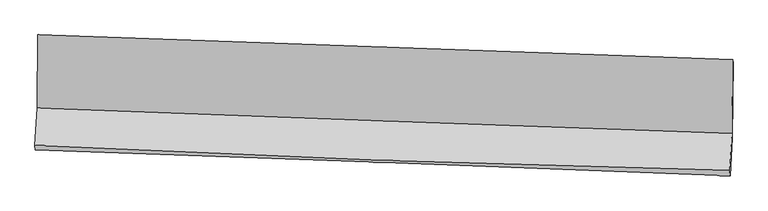
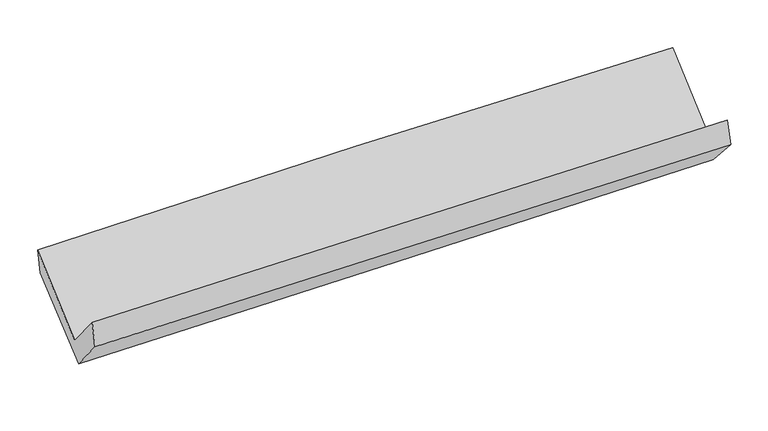
"""IFC4 building model written with IfcOpenShell, lengths in millimetres: proxy geometry."""

from ifc_helpers import new_model, si_unit, frame, origin, place, context, project, spatial, source, transform, mapped, element, save
from ifc_brep_helpers import plane_surface, spline_curve, spline_surface, advanced_brep


def generic_models_362fd283(model_context):
    return source(origin(), model_context, "Body", "AdvancedBrep", [
        advanced_brep(
        [(-2380.8896891, -1126.8850532, 2189.3487777), (-2386.1382027, -1628.0377822, 1762.5460251), (2375.7777433, -1803.5762852, 1834.5573782), (2379.3725924, -1298.8154413, 2264.2412731), (-2401.3219392, -1886.2965391, 2071.8166907), (2360.6027312, -2058.4322389, 2147.3397045), (-2397.979403, -1916.9688827, 1890.3206676), (2364.0370064, -2094.7473286, 1969.9996985), (-2383.7395526, -1674.7645965, 1600.2755915), (2378.6439079, -1835.9206211, 1684.2447999), (-2377.7866344, -1155.558979, 2020.5982782), (2382.8823571, -1317.9457904, 2103.3895388)],
        [
            (0, 1),
            (1, 2, spline_curve(3, [(-2386.1382027, -1628.0377822, 1762.5460251), (-1592.747937989, -1659.229398758, 1783.193044942), (-799.241868148, -1689.452885962, 1799.517436049), (788.063429008, -1747.965870497, 1823.521890931), (1581.862674653, -1776.255217729, 1831.201284313), (2375.7777433, -1803.5762852, 1834.5573782)], [4, 2, 4], [0.0, 7.816194555767744, 15.632995285824784])),
            (2, 3),
            (3, 0, spline_curve(3, [(2379.3725924, -1298.8154413, 2264.2412731), (1585.761167377, -1268.883014428, 2263.229935161), (792.251553875, -1239.588737626, 2256.482760364), (-794.502524389, -1182.278707388, 2231.517705864), (-1587.747004436, -1154.262854545, 2213.300715178), (-2380.8896891, -1126.8850532, 2189.3487777)], [4, 2, 4], [0.0, 7.8168007300570395, 15.632995285824784])),
            (1, 4),
            (4, 5, spline_curve(3, [(-2401.3219392, -1886.2965391, 2071.8166907), (-1608.319734698, -1927.314610272, 2096.500572379), (-815.006975622, -1962.167970235, 2115.136088359), (772.301199593, -2019.547493074, 2140.31136442), (1566.296664105, -2042.072699595, 2146.850186452), (2360.6027312, -2058.4322389, 2147.3397045)], [4, 2, 4], [0.0, 7.817630506741742, 15.635867299135997])),
            (5, 2),
            (4, 6),
            (6, 7, spline_curve(3, [(-2397.979403, -1916.9688827, 1890.3206676), (-1604.255689604, -1944.389540824, 1904.344867788), (-810.574517681, -1972.914123132, 1917.996644117), (776.764292041, -2032.173434066, 1944.556378745), (1570.421923448, -2062.908333603, 1957.464279421), (2364.0370064, -2094.7473286, 1969.9996985)], [4, 2, 4], [0.0, 7.817738503130823, 15.63608330028967])),
            (7, 5),
            (6, 8),
            (8, 9, spline_curve(3, [(-2383.7395526, -1674.7645965, 1600.2755915), (-1590.197380712, -1707.002757291, 1616.036678254), (-796.576397916, -1736.55109021, 1630.914418713), (790.884743419, -1790.270182165, 1658.904292004), (1584.724914241, -1814.44052439, 1672.01628772), (2378.6439079, -1835.9206211, 1684.2447999)], [4, 2, 4], [0.0, 7.817809236432744, 15.636224772379137])),
            (9, 7),
            (8, 10),
            (10, 11, spline_curve(3, [(-2377.7866344, -1155.558979, 2020.5982782), (-1584.489394626, -1183.689336646, 2039.687294564), (-791.133743899, -1211.286245837, 2056.130909546), (795.755910842, -1265.415265633, 2083.728406955), (1589.289924214, -1291.947293592, 2094.881878727), (2382.8823571, -1317.9457904, 2103.3895388)], [4, 2, 4], [0.0, 7.816344718196549, 15.633295622328037])),
            (11, 9),
            (10, 0),
            (3, 11),
        ],
        [
            spline_surface(3, 3, [[(-2380.8896891, -1126.8850532, 2189.3487777), (-1587.747004422, -1154.262854609, 2213.300715263), (-794.502524283, -1182.278707316, 2231.517705763), (792.251553769, -1239.588737698, 2256.482760465), (1585.761167446, -1268.883014386, 2263.229935094), (2379.3725924, -1298.8154413, 2264.2412731)], [(-2382.639193624, -1293.935962853, 2047.081193481), (-1589.413982248, -1322.585035996, 2069.931491842), (-796.082305597, -1351.336766862, 2087.51761586), (790.855512228, -1409.047781954, 2112.162470621), (1584.461669893, -1438.007082148, 2119.220384815), (2378.17430937, -1467.069055944, 2121.013308127)], [(-2384.388698176, -1460.986872547, 1904.813609319), (-1591.080960102, -1490.907217425, 1926.56226848), (-797.662086942, -1520.394826428, 1943.517525953), (789.459470657, -1578.50682623, 1967.842180773), (1583.162172328, -1607.131149877, 1975.210834554), (2376.97602633, -1635.322670556, 1977.785343173)], [(-2386.1382027, -1628.0377822, 1762.5460251), (-1592.747937927, -1659.229398813, 1783.193045059), (-799.241868256, -1689.452885973, 1799.517436051), (788.063429116, -1747.965870486, 1823.52189093), (1581.862674774, -1776.255217639, 1831.201284274), (2375.7777433, -1803.5762852, 1834.5573782)]], [4, 4], [4, 2, 4], [0.0, 2.188336353245065], [0.0, 7.816194555767744, 15.632995285824784]),
            spline_surface(3, 3, [[(-2386.1382027, -1628.0377822, 1762.5460251), (-1592.747937927, -1659.229398813, 1783.193045059), (-799.241868256, -1689.452885973, 1799.517436051), (788.063429116, -1747.965870486, 1823.52189093), (1581.862674774, -1776.255217639, 1831.201284274), (2375.7777433, -1803.5762852, 1834.5573782)], [(-2391.199448207, -1714.124034522, 1865.636246976), (-1597.938536844, -1748.591135958, 1887.628887543), (-804.49690406, -1780.357914054, 1904.723653492), (782.809352619, -1838.493078007, 1929.118382114), (1576.674004539, -1864.861044979, 1936.417585017), (2370.71940592, -1888.528269783, 1938.818153621)], [(-2396.260693693, -1800.210286778, 1968.726468824), (-1603.12913574, -1837.952873039, 1992.06473), (-809.751939856, -1871.262942157, 2009.929870894), (777.555276129, -1929.020285551, 2034.71487326), (1571.485334345, -1953.466872269, 2041.633885796), (2365.66106858, -1973.480254317, 2043.078929079)], [(-2401.3219392, -1886.2965391, 2071.8166907), (-1608.319734656, -1927.314610185, 2096.500572484), (-815.00697566, -1962.167970238, 2115.136088335), (772.301199632, -2019.547493071, 2140.311364444), (1566.29666411, -2042.072699609, 2146.850186539), (2360.6027312, -2058.4322389, 2147.3397045)]], [4, 4], [4, 2, 4], [0.0, 1.369719158519542], [0.0, 7.817630506741742, 15.635867299135997]),
            spline_surface(3, 3, [[(-2401.3219392, -1886.2965391, 2071.8166907), (-1608.319734656, -1927.314610185, 2096.500572484), (-815.00697566, -1962.167970238, 2115.136088335), (772.301199632, -2019.547493071, 2140.311364444), (1566.29666411, -2042.072699609, 2146.850186539), (2360.6027312, -2058.4322389, 2147.3397045)], [(-2400.207760462, -1896.520653635, 2011.318016327), (-1606.965052926, -1933.006253767, 2032.448670903), (-813.529489664, -1965.750021258, 2049.422940228), (773.788897105, -2023.756140051, 2075.059702548), (1567.671750538, -2049.017910928, 2083.721550849), (2361.7474896, -2070.537268772, 2088.226369172)], [(-2399.093581738, -1906.744768165, 1950.819341973), (-1605.610371209, -1938.697897344, 1968.39676934), (-812.052003678, -1969.332072224, 1983.709792168), (775.276594568, -2027.964786975, 2009.808040697), (1569.046836967, -2055.963122331, 2020.592915144), (2362.892248, -2082.642298728, 2029.113033828)], [(-2397.979403, -1916.9688827, 1890.3206676), (-1604.25568948, -1944.389540926, 1904.344867759), (-810.574517682, -1972.914123244, 1917.996644061), (776.764292042, -2032.173433954, 1944.556378801), (1570.421923394, -2062.90833365, 1957.464279455), (2364.0370064, -2094.7473286, 1969.9996985)]], [4, 4], [4, 2, 4], [0.0, 0.6458159396883961], [0.0, 7.817738503130823, 15.63608330028967]),
            spline_surface(3, 3, [[(-2397.979403, -1916.9688827, 1890.3206676), (-1604.25568948, -1944.389540926, 1904.344867759), (-810.574517682, -1972.914123244, 1917.996644061), (776.764292042, -2032.173433954, 1944.556378801), (1570.421923394, -2062.90833365, 1957.464279455), (2364.0370064, -2094.7473286, 1969.9996985)], [(-2393.232786199, -1836.234120624, 1793.638975564), (-1599.56958653, -1865.260613072, 1808.242137959), (-805.908477758, -1894.12644552, 1822.30256896), (781.471109146, -1951.539016694, 1849.33901651), (1575.189586979, -1980.085730572, 1862.314948857), (2368.905973565, -2008.471759457, 1874.748065641)], [(-2388.486169401, -1755.499358576, 1696.957283536), (-1594.883483583, -1786.131685247, 1712.139408168), (-801.242437805, -1815.33876786, 1726.608493875), (786.177926279, -1870.904599499, 1754.121654234), (1579.957250569, -1897.263127424, 1767.165618235), (2373.774940735, -1922.196190243, 1779.496432759)], [(-2383.7395526, -1674.7645965, 1600.2755915), (-1590.197380633, -1707.002757394, 1616.036678368), (-796.576397881, -1736.551090135, 1630.914418774), (790.884743384, -1790.270182239, 1658.904291942), (1584.724914154, -1814.440524346, 1672.016287636), (2378.6439079, -1835.9206211, 1684.2447999)]], [4, 4], [4, 2, 4], [0.0, 1.2248941934485438], [0.0, 7.817809236432744, 15.636224772379137]),
            spline_surface(3, 3, [[(-2383.7395526, -1674.7645965, 1600.2755915), (-1590.197380633, -1707.002757394, 1616.036678368), (-796.576397881, -1736.551090135, 1630.914418774), (790.884743384, -1790.270182239, 1658.904291942), (1584.724914154, -1814.440524346, 1672.016287636), (2378.6439079, -1835.9206211, 1684.2447999)], [(-2381.755246543, -1501.696057352, 1740.383153744), (-1588.294718603, -1532.564950495, 1757.253550472), (-794.762179892, -1561.462808684, 1772.653249078), (792.508465877, -1615.318543377, 1800.512330255), (1586.246584137, -1640.27611412, 1812.97148465), (2380.056724305, -1663.262344202, 1823.959712849)], [(-2379.770940457, -1328.627518148, 1880.490715956), (-1586.392056543, -1358.12714354, 1898.470422544), (-792.947961906, -1386.374527251, 1914.39207935), (794.132188367, -1440.366904533, 1942.120368535), (1587.768254105, -1466.111703886, 1953.926681716), (2381.469540695, -1490.604067298, 1963.674625851)], [(-2377.7866344, -1155.558979, 2020.5982782), (-1584.489394513, -1183.689336641, 2039.687294648), (-791.133743917, -1211.286245799, 2056.130909655), (795.75591086, -1265.41526567, 2083.728406847), (1589.289924089, -1291.94729366, 2094.88187873), (2382.8823571, -1317.9457904, 2103.3895388)]], [4, 4], [4, 2, 4], [0.0, 2.2163444306120117], [0.0, 7.816344718196549, 15.633295622328037]),
            spline_surface(3, 3, [[(-2377.7866344, -1155.558979, 2020.5982782), (-1584.489394513, -1183.689336641, 2039.687294648), (-791.133743917, -1211.286245799, 2056.130909655), (795.75591086, -1265.41526567, 2083.728406847), (1589.289924089, -1291.94729366, 2094.88187873), (2382.8823571, -1317.9457904, 2103.3895388)], [(-2378.820985964, -1146.001003715, 2076.848444708), (-1585.575264481, -1173.880509278, 2097.558434862), (-792.256670708, -1201.617066328, 2114.593175019), (794.587791827, -1256.806423036, 2141.313191381), (1588.113671881, -1284.259200543, 2150.99789754), (2381.71243554, -1311.569007341, 2157.006783589)], [(-2379.855337536, -1136.443028485, 2133.098611192), (-1586.661134455, -1164.071681971, 2155.42957505), (-793.379597492, -1191.947886787, 2173.055440398), (793.419672802, -1248.197580332, 2198.89797593), (1586.937419654, -1276.571107503, 2207.113916284), (2380.54251396, -1305.192224359, 2210.624028311)], [(-2380.8896891, -1126.8850532, 2189.3487777), (-1587.747004422, -1154.262854609, 2213.300715263), (-794.502524283, -1182.278707316, 2231.517705763), (792.251553769, -1239.588737698, 2256.482760465), (1585.761167446, -1268.883014386, 2263.229935094), (2379.3725924, -1298.8154413, 2264.2412731)]], [4, 4], [4, 2, 4], [0.0, 0.5782476961650502], [0.0, 7.814871307947874, 15.630348687562368]),
            plane_surface(frame((2373.552723, -1734.9062842, 2000.6287322), z_axis=(0.9992740405977798, -0.02857016881546587, 0.025201929315876326), x_axis=(0.006360867927187815, 0.777352592917716, 0.629032976594484))),
            plane_surface(frame((-2387.9759035, -1564.7519721, 1922.4843385), z_axis=(-0.9992560178472021, 0.03053209650865942, -0.02356272223106042), x_axis=(0.018125593408892998, -0.16749041606092044, -0.985707067739354))),
        ],
        [
            (0, [[1, 2, 3, 4]]),
            (1, [[5, 6, 7, -2]]),
            (2, [[8, 9, 10, -6]]),
            (3, [[11, 12, 13, -9]]),
            (4, [[14, 15, 16, -12]]),
            (5, [[17, -4, 18, -15]]),
            (6, [[-16, -18, -3, -7, -10, -13]]),
            (7, [[-17, -14, -11, -8, -5, -1]]),
        ],
    ),
    ])


if __name__ == "__main__":
    model = new_model("IFC4")
    model_context = context("Model", 3, world=origin())
    ifc_project = project(units=[si_unit("LENGTHUNIT", "METRE", prefix="MILLI")], contexts=[model_context])
    site = spatial("IfcSite", under=ifc_project)
    building = spatial("IfcBuilding", under=site)
    placement = place(None, origin())
    generic_models_shape = generic_models_362fd283(model_context)
    element("IfcBuildingElementProxy", 1, Name="Generic Models", at=placement, inside=building, context=model_context, shape_type="MappedRepresentation", body=[
        mapped(generic_models_shape, transform((0.0, 0.0, 0.0), x_axis=(1.0, 0.0, 0.0), y_axis=(0.0, 1.0, 0.0), z_axis=(0.0, 0.0, 1.0))),
    ])
    save(model, "model.ifc")
